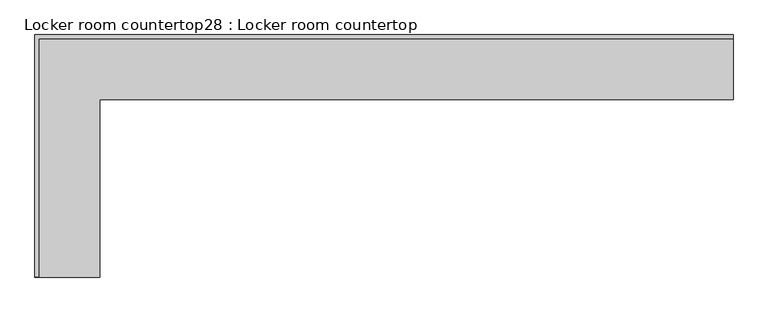
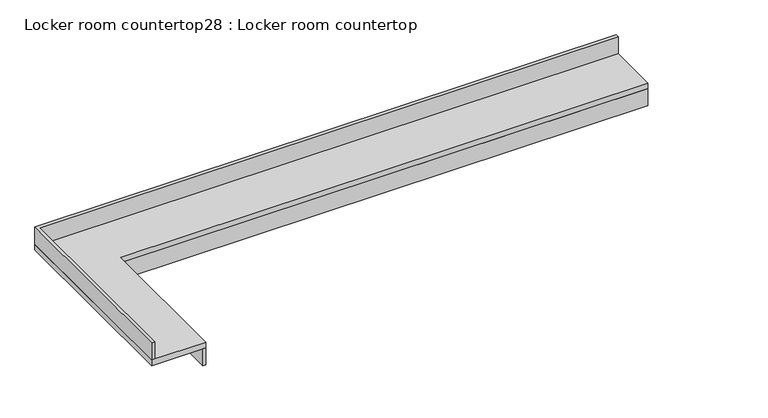
"""IFC4 building model written with IfcOpenShell, lengths in millimetres: furniture geometry, Locker room countertop28 : Locker room countertop."""

from ifc_helpers import new_model, si_unit, frame, origin, place, context, project, spatial, polyline, outline, extrude, source, transform, mapped, element, save


def locker_room_countertop28_locker_room_countertop_3a702966(model_context):
    return source(origin(), model_context, "Body", "SweptSolid", [
        extrude(outline(polyline([(460290.6504676, -250063.8080223), (460290.6504676, -251311.5830223), (460265.2504676, -251311.5830223), (460265.2504676, -250038.4080223), (464738.8254676, -250038.4080223), (464738.8254676, -250063.8080223), (460290.6504676, -250063.8080223)])), frame((0.0, 0.0, 660.4), z_axis=(0.0, 0.0, 1.0), x_axis=(1.0, 0.0, 0.0)), (0.0, 0.0, 1.0), 152.4),
        extrude(outline(polyline([(464738.8254676, -249632.0080223), (459858.8504676, -249632.0080223), (459858.8504676, -251310.7229922), (459833.4504676, -251310.7229922), (459833.4504676, -249606.6080223), (464738.8254676, -249606.6080223), (464738.8254676, -249632.0080223)])), frame((0.0, 0.0, 863.6), z_axis=(0.0, 0.0, 1.0), x_axis=(1.0, 0.0, 0.0)), (0.0, 0.0, 1.0), 152.4),
        extrude(outline(polyline([(464738.8254676, -250063.8080223), (460290.6504676, -250063.8080223), (460290.6504676, -251311.5830223), (459833.4504676, -251311.5830223), (459833.4504676, -249606.6080223), (464738.8254676, -249606.6080223), (464738.8254676, -250063.8080223)])), frame((0.0, 0.0, 812.8), z_axis=(0.0, 0.0, 1.0), x_axis=(1.0, 0.0, 0.0)), (0.0, 0.0, 1.0), 50.8),
    ])


if __name__ == "__main__":
    model = new_model("IFC4")
    model_context = context("Model", 3, world=origin())
    ifc_project = project(units=[si_unit("LENGTHUNIT", "METRE", prefix="MILLI")], contexts=[model_context])
    site = spatial("IfcSite", under=ifc_project)
    building = spatial("IfcBuilding", under=site)
    placement = place(None, origin())
    locker_room_countertop28_locker_room_countertop_shape = locker_room_countertop28_locker_room_countertop_3a702966(model_context)
    element("IfcFurniture", 1, ObjectType="Locker room countertop28 : Locker room countertop", at=placement, inside=building, context=model_context, shape_type="MappedRepresentation", body=[
        mapped(locker_room_countertop28_locker_room_countertop_shape, transform((0.0, 0.0, 0.0), x_axis=(1.0, 0.0, 0.0), y_axis=(0.0, 1.0, 0.0), z_axis=(0.0, 0.0, 1.0))),
    ])
    save(model, "model.ifc")
